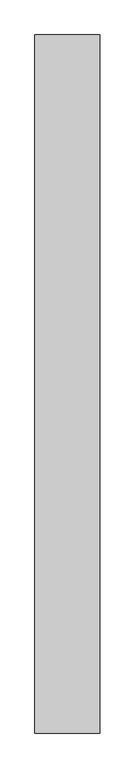
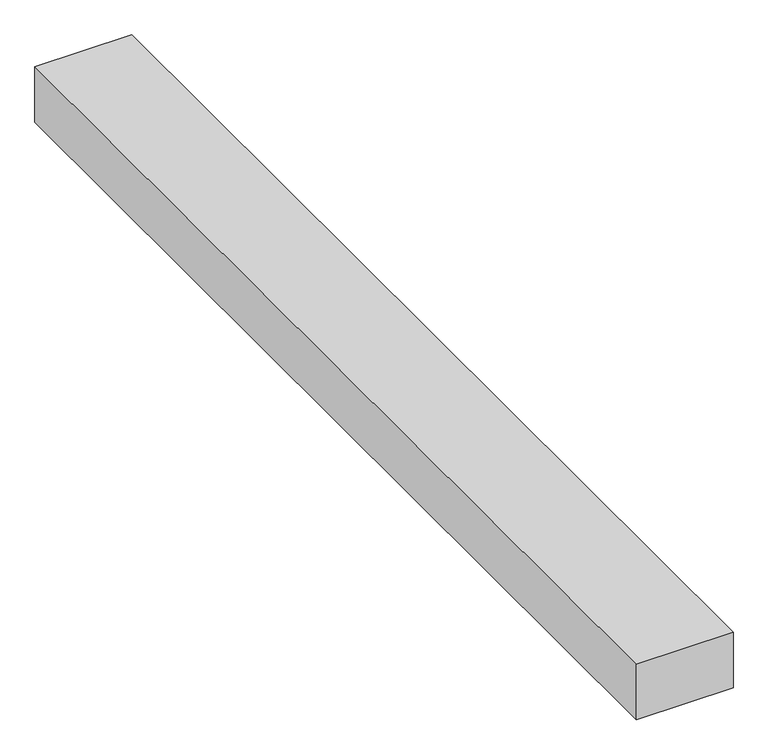
"""IFC4 building model written with IfcOpenShell, lengths in millimetres: proxy geometry."""

from ifc_helpers import new_model, si_unit, origin, origin_with_axes, place, context, project, spatial, polyline, outline, extrude, source, transform, mapped, element, save


def generic_models_b4bb3251(model_context):
    return source(origin(), model_context, "Body", "SweptSolid", [
        extrude(outline(polyline([(0.0, 7000.0), (0.0, 0.0), (-650.0, 0.0), (-650.0, 7000.0), (0.0, 7000.0)])), origin_with_axes(), (0.0, 0.0, 1.0), 393.3333333),
    ])


if __name__ == "__main__":
    model = new_model("IFC4")
    model_context = context("Model", 3, world=origin())
    ifc_project = project(units=[si_unit("LENGTHUNIT", "METRE", prefix="MILLI")], contexts=[model_context])
    site = spatial("IfcSite", under=ifc_project)
    building = spatial("IfcBuilding", under=site)
    placement = place(None, origin())
    generic_models_shape = generic_models_b4bb3251(model_context)
    element("IfcBuildingElementProxy", 1, Name="Generic Models", at=placement, inside=building, context=model_context, shape_type="MappedRepresentation", body=[
        mapped(generic_models_shape, transform((0.0, 0.0, 0.0), x_axis=(1.0, 0.0, 0.0), y_axis=(0.0, 1.0, 0.0), z_axis=(0.0, 0.0, 1.0))),
    ])
    save(model, "model.ifc")
